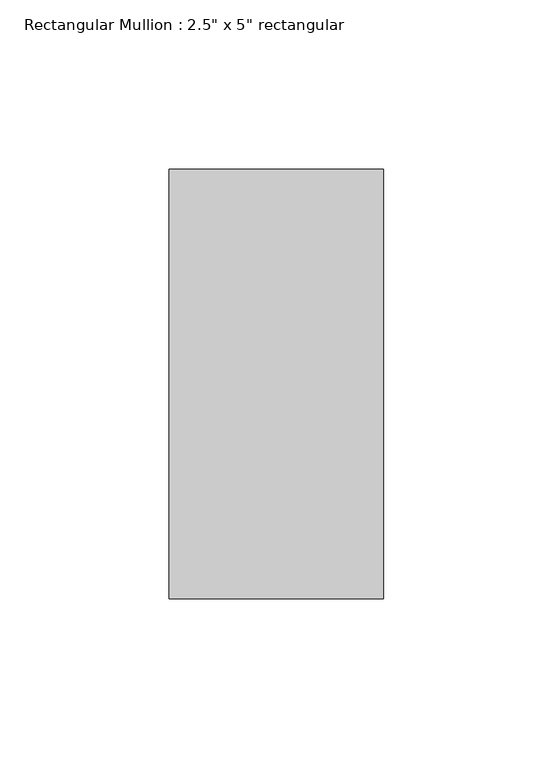
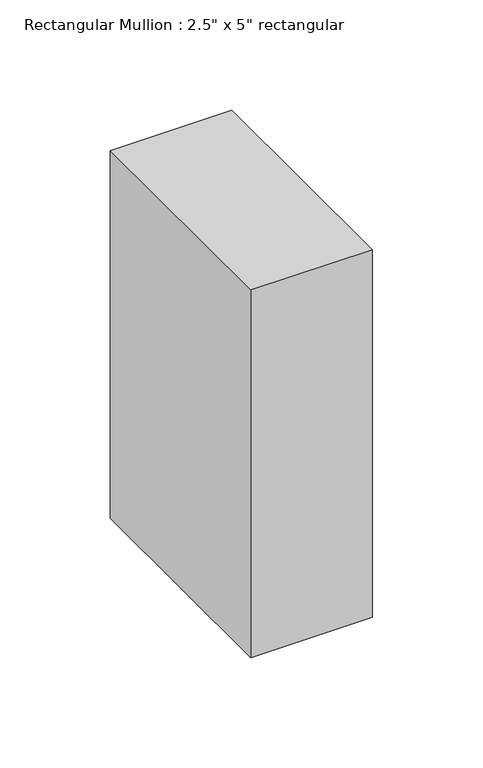
"""IFC4 building model written with IfcOpenShell, lengths in millimetres: member geometry."""

from ifc_helpers import new_model, si_unit, frame, origin, place, context, project, spatial, polyline, outline, extrude, source, transform, mapped, element, save


def member_3572ee78(model_context):
    return source(origin(), model_context, "Body", "SweptSolid", [
        extrude(outline(polyline([(31.75, 63.5), (31.75, -63.5), (-31.75, -63.5), (-31.75, 63.5), (31.75, 63.5)])), frame((0.0, 0.0, -203.2), z_axis=(0.0, 0.0, 1.0), x_axis=(1.0, 0.0, 0.0)), (0.0, 0.0, 1.0), 203.2),
    ])


if __name__ == "__main__":
    model = new_model("IFC4")
    model_context = context("Model", 3, world=origin())
    ifc_project = project(units=[si_unit("LENGTHUNIT", "METRE", prefix="MILLI")], contexts=[model_context])
    site = spatial("IfcSite", under=ifc_project)
    building = spatial("IfcBuilding", under=site)
    placement = place(None, origin())
    member_shape = member_3572ee78(model_context)
    element("IfcMember", 1, ObjectType="Rectangular Mullion : 2.5\" x 5\" rectangular", at=placement, inside=building, context=model_context, shape_type="MappedRepresentation", body=[
        mapped(member_shape, transform((0.0, 0.0, 0.0), x_axis=(1.0, 0.0, 0.0), y_axis=(0.0, 1.0, 0.0), z_axis=(0.0, 0.0, 1.0))),
    ])
    save(model, "model.ifc")
